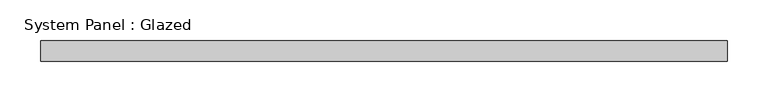
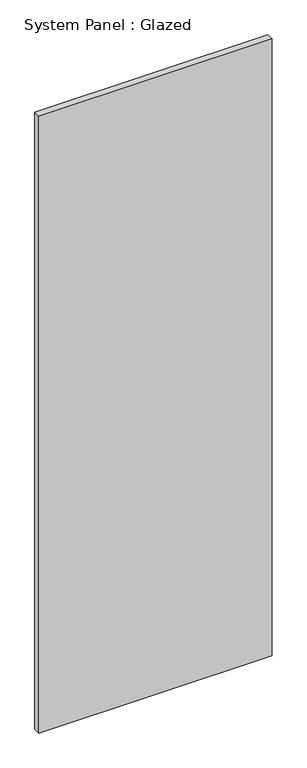
"""IFC4 building model written with IfcOpenShell, lengths in millimetres: plate geometry, System Panel : Glazed."""

from ifc_helpers import new_model, si_unit, origin, origin_with_axes, place, context, project, spatial, polyline, outline, extrude, source, transform, mapped, element, save


def system_panel_glazed_0d4d07bd(model_context):
    return source(origin(), model_context, "Body", "SweptSolid", [
        extrude(outline(polyline([(423.8625, -12.7), (-423.8625, -12.7), (-423.8625, 12.7), (423.8625, 12.7), (423.8625, -12.7)])), origin_with_axes(), (0.0, 0.0, 1.0), 2368.55),
    ])


if __name__ == "__main__":
    model = new_model("IFC4")
    model_context = context("Model", 3, world=origin())
    ifc_project = project(units=[si_unit("LENGTHUNIT", "METRE", prefix="MILLI")], contexts=[model_context])
    site = spatial("IfcSite", under=ifc_project)
    building = spatial("IfcBuilding", under=site)
    placement = place(None, origin())
    system_panel_glazed_shape = system_panel_glazed_0d4d07bd(model_context)
    element("IfcPlate", 1, ObjectType="System Panel : Glazed", at=placement, inside=building, context=model_context, shape_type="MappedRepresentation", body=[
        mapped(system_panel_glazed_shape, transform((0.0, 0.0, 0.0), x_axis=(1.0, 0.0, 0.0), y_axis=(0.0, 1.0, 0.0), z_axis=(0.0, 0.0, 1.0))),
    ])
    save(model, "model.ifc")
